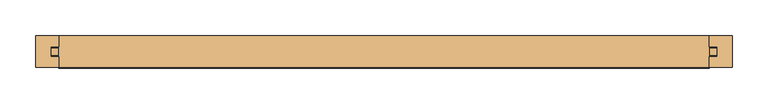
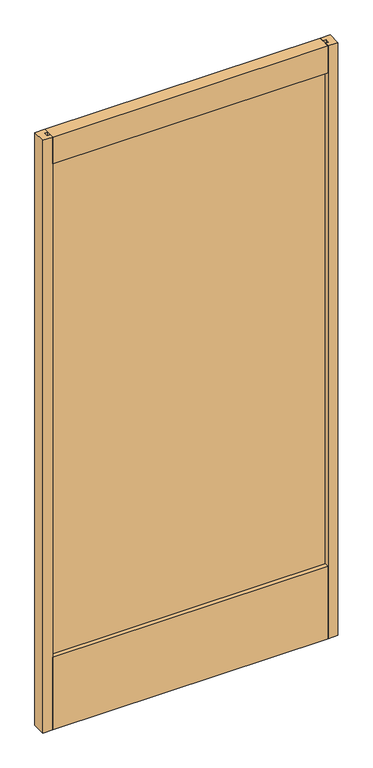
"""IFC4 building model written with IfcOpenShell, lengths in millimetres: door geometry."""

from ifc_helpers import new_model, si_unit, frame, origin, place, context, project, spatial, polyline, outline, extrude, source, transform, mapped, element, save


def door_e708358a(model_context):
    return source(origin(), model_context, "Body", "SweptSolid", [
        extrude(outline(polyline([(468.8664326, 5.0038), (468.8664326, -5.0038), (-468.8664326, -5.0038), (-468.8664326, 5.0038), (468.8664326, 5.0038)])), frame((0.0, 0.0, 95.25), z_axis=(0.0, 0.0, 1.0), x_axis=(1.0, 0.0, 0.0)), (0.0, 0.0, 1.0), 1916.1635027),
        extrude(outline(polyline([(-490.4564326, 22.225), (-457.4364326, 22.225), (-457.4364326, 7.239), (-468.8664326, 7.239), (-468.8664326, -7.239), (-457.4364326, -7.239), (-457.4364326, -22.225), (-490.4564326, -22.225), (-490.4564326, 22.225)])), frame((0.0, 0.0, 12.7), z_axis=(0.0, 0.0, 1.0), x_axis=(1.0, 0.0, 0.0)), (0.0, 0.0, 1.0), 2081.2635027),
        extrude(outline(polyline([(490.4564326, 22.225), (490.4564326, -22.225), (457.4364326, -22.225), (457.4364326, -7.239), (468.8664326, -7.239), (468.8664326, 7.239), (457.4364326, 7.239), (457.4364326, 22.225), (490.4564326, 22.225)])), frame((0.0, 0.0, 12.7), z_axis=(0.0, 0.0, 1.0), x_axis=(1.0, 0.0, 0.0)), (0.0, 0.0, 1.0), 2081.2635027),
        extrude(outline(polyline([(22.733, 12.7), (-22.733, 12.7), (-22.733, 266.7), (-7.239, 266.7), (-7.239, 255.27), (7.239, 255.27), (7.239, 266.7), (22.733, 266.7), (22.733, 12.7)])), frame((-457.4364326, 0.0, 0.0), z_axis=(1.0, 0.0, 0.0), x_axis=(0.0, 1.0, 0.0)), (0.0, 0.0, 1.0), 914.8728651),
        extrude(outline(polyline([(-22.225, 2093.9635027), (22.225, 2093.9635027), (22.225, 1999.9835027), (6.731, 1999.9835027), (6.731, 2011.4135027), (-6.731, 2011.4135027), (-6.731, 1999.9835027), (-22.225, 1999.9835027), (-22.225, 2093.9635027)])), frame((-457.4364326, 0.0, 0.0), z_axis=(1.0, 0.0, 0.0), x_axis=(0.0, 1.0, 0.0)), (0.0, 0.0, 1.0), 914.8728651),
    ])


if __name__ == "__main__":
    model = new_model("IFC4")
    model_context = context("Model", 3, world=origin())
    ifc_project = project(units=[si_unit("LENGTHUNIT", "METRE", prefix="MILLI")], contexts=[model_context])
    site = spatial("IfcSite", under=ifc_project)
    building = spatial("IfcBuilding", under=site)
    placement = place(None, origin())
    door_shape = door_e708358a(model_context)
    element("IfcDoor", 1, at=placement, inside=building, context=model_context, shape_type="MappedRepresentation", body=[
        mapped(door_shape, transform((0.0, 0.0, 0.0), x_axis=(1.0, 0.0, 0.0), y_axis=(0.0, 1.0, 0.0), z_axis=(0.0, 0.0, 1.0))),
    ])
    save(model, "model.ifc")
